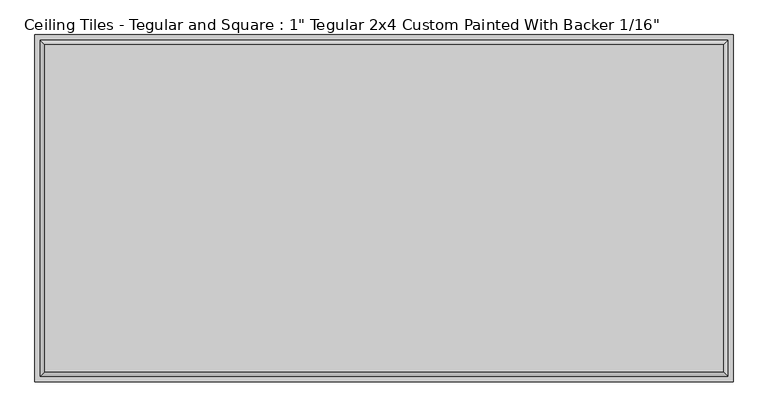
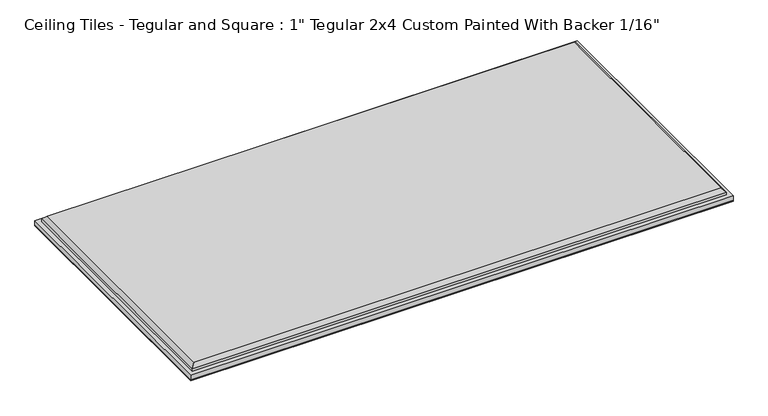
"""IFC4 building model written with IfcOpenShell, lengths in millimetres: proxy geometry."""

from ifc_helpers import new_model, si_unit, origin, origin_with_axes, place, context, project, spatial, polyline, outline, extrude, faceted_brep, source, transform, mapped, element, save


def proxy_620ad28d(model_context):
    return source(origin(), model_context, "Body", "SolidModel", [
        extrude(outline(polyline([(606.425, 301.625), (606.425, -301.625), (-606.425, -301.625), (-606.425, 301.625), (606.425, 301.625)])), origin_with_axes(), (0.0, 0.0, 1.0), 1.5875),
        faceted_brep([(588.899, 284.099, 26.9875), (-588.899, 284.099, 26.9875), (-588.899, -284.099, 26.9875), (588.899, -284.099, 26.9875), (-606.425, 301.625, 1.5875), (606.425, 301.625, 1.5875), (606.425, -301.625, 1.5875), (-606.425, -301.625, 1.5875), (-606.425, -301.625, 12.7), (-606.425, 301.625, 12.7), (606.425, -301.625, 12.7), (606.425, 301.625, 12.7), (596.9, 292.1, 18.9865), (-596.9, 292.1, 18.9865), (-596.9, -292.1, 18.9865), (596.9, -292.1, 18.9865), (596.9, 292.1, 12.7), (-596.9, 292.1, 12.7), (-596.9, -292.1, 12.7), (596.9, -292.1, 12.7)], [[[0, 1, 2, 3]], [[4, 5, 6, 7]], [[4, 7, 8, 9]], [[7, 6, 10, 8]], [[6, 5, 11, 10]], [[5, 4, 9, 11]], [[12, 13, 1, 0]], [[1, 13, 14, 2]], [[2, 14, 15, 3]], [[12, 0, 3, 15]], [[16, 17, 13, 12]], [[13, 17, 18, 14]], [[14, 18, 19, 15]], [[16, 12, 15, 19]], [[9, 8, 10, 11], [17, 16, 19, 18]]]),
    ])


if __name__ == "__main__":
    model = new_model("IFC4")
    model_context = context("Model", 3, world=origin())
    ifc_project = project(units=[si_unit("LENGTHUNIT", "METRE", prefix="MILLI")], contexts=[model_context])
    site = spatial("IfcSite", under=ifc_project)
    building = spatial("IfcBuilding", under=site)
    placement = place(None, origin())
    proxy_shape = proxy_620ad28d(model_context)
    element("IfcBuildingElementProxy", 1, Name="Ceiling Tiles - Tegular and Square : 1\" Tegular 2x4 Custom Painted With Backer 1/16\"", ObjectType="Ceiling Tiles - Tegular and Square : 1\" Tegular 2x4 Custom Painted With Backer 1/16\"", at=placement, inside=building, context=model_context, shape_type="MappedRepresentation", body=[
        mapped(proxy_shape, transform((0.0, 0.0, 0.0), x_axis=(1.0, 0.0, 0.0), y_axis=(0.0, 1.0, 0.0), z_axis=(0.0, 0.0, 1.0))),
    ])
    save(model, "model.ifc")
